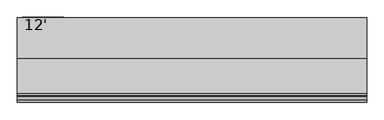
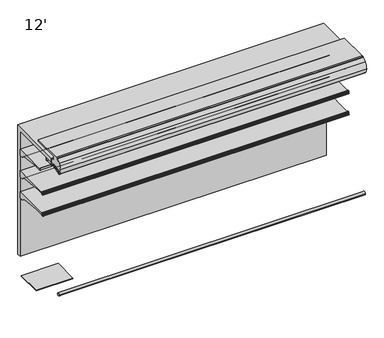
"""IFC4 building model written with IfcOpenShell, lengths in millimetres: proxy geometry, 12'."""

from ifc_helpers import new_model, si_unit, point, frame, frame_2d, origin, place, context, project, spatial, polyline, circle_curve, trimmed, segment, composite_curve, outline, extrude, source, transform, mapped, element, save
from ifc_brep_helpers import plane_surface, cylinder_surface, revolved_surface, advanced_brep


def proxy_12_82e6f706(model_context):
    return source(origin(), model_context, "Body", "SolidModel", [
        advanced_brep(
        [(3657.6, -953.4873974, 1188.3336206), (3657.6, -952.5185778, 1188.7146206), (3657.6, -953.6333414, 1191.5492791), (3657.6, -956.6955302, 1193.6427997), (3657.6, -959.1595285, 1193.6508058), (3657.6, -959.1595285, 1165.1089274), (3657.6, -961.2817196, 1162.6035261), (3657.6, -965.5436404, 1161.8992819), (3657.6, -968.2411887, 1165.5176966), (3657.6, -965.1539285, 1178.0739002), (3657.6, -965.1539285, 1193.6508058), (3657.6, -970.314443, 1193.6508058), (3657.6, -971.339509, 1193.1306533), (3657.6, -972.4224632, 1190.8805751), (3657.6, -971.4385536, 1190.6868672), (3657.6, -970.8449745, 1192.2840367), (3657.6, -969.9972085, 1192.4534439), (3657.6, -967.9567396, 1189.3559236), (3657.6, -967.0677396, 1189.3559236), (3657.6, -967.0677396, 1184.5415513), (3657.6, -966.2810398, 1184.3469249), (3657.6, -967.0803293, 1181.1161148), (3657.6, -967.1337108, 1178.0579707), (3657.6, -967.1768859, 1176.9354655), (3657.6, -967.3201998, 1175.2918474), (3657.6, -967.7783843, 1172.5359697), (3657.6, -968.1746064, 1170.9343994), (3657.6, -971.9864246, 1162.6566769), (3657.6, -972.8889174, 1162.7757838), (3657.6, -973.3695256, 1164.2215289), (3657.6, -974.339124, 1163.9575737), (3657.6, -973.9435731, 1162.8065372), (3657.6, -968.3206176, 1159.0474424), (3657.6, -955.7661201, 1161.1134934), (3657.6, -953.1994616, 1163.2422642), (3657.6, -952.2242271, 1165.9215536), (3657.6, -953.2266912, 1166.2864206), (3657.6, -954.0834067, 1164.4981573), (3657.6, -957.704454, 1165.4078872), (3657.6, -957.8263588, 1189.2180727), (3657.6, -954.1516029, 1190.0217197), (0.0, -953.4873974, 1188.3336206), (0.0, -954.1516029, 1190.0217197), (0.0, -957.8263588, 1189.2180727), (0.0, -957.704454, 1165.4078872), (0.0, -954.0834067, 1164.4981573), (0.0, -953.2266912, 1166.2864206), (0.0, -952.2242271, 1165.9215536), (0.0, -953.1994616, 1163.2422642), (0.0, -955.7661201, 1161.1134934), (0.0, -968.3206176, 1159.0474424), (0.0, -973.943554, 1162.8065458), (0.0, -974.339124, 1163.9575737), (0.0, -973.3695256, 1164.2215289), (0.0, -972.8889174, 1162.7757838), (0.0, -971.9864527, 1162.6566957), (0.0, -968.1746064, 1170.9343994), (0.0, -967.7783843, 1172.5359697), (0.0, -967.3201998, 1175.2918474), (0.0, -967.1768859, 1176.9354655), (0.0, -967.1337108, 1178.0579707), (0.0, -967.0803293, 1181.1161148), (0.0, -966.2810398, 1184.3469249), (0.0, -967.0677396, 1184.5415513), (0.0, -967.0677396, 1189.3559236), (0.0, -967.9567396, 1189.3559236), (0.0, -969.9972022, 1192.4534498), (0.0, -970.8449745, 1192.2840367), (0.0, -971.4385536, 1190.6868672), (0.0, -972.4224582, 1190.8805738), (0.0, -971.3395219, 1193.1306627), (0.0, -970.314443, 1193.6507933), (0.0, -965.1539285, 1193.6508058), (0.0, -965.1539285, 1178.0739002), (0.0, -968.2411887, 1165.5176966), (0.0, -965.5436404, 1161.8992819), (0.0, -961.2817196, 1162.6035261), (0.0, -959.1595285, 1165.1089274), (0.0, -959.1595285, 1193.6508058), (0.0, -956.6955302, 1193.6427997), (0.0, -953.6333414, 1191.5492791), (0.0, -952.5185778, 1188.7146206)],
        [
            (0, 1),
            (1, 2),
            (2, 3, circle_curve(frame((3657.6, -956.7062592, 1190.3408171), z_axis=(1.0, 0.0, 0.0), x_axis=(0.0, 1.0, 0.0)), 3.302)),
            (3, 4),
            (4, 5),
            (5, 6, circle_curve(frame((3657.6, -961.6995285, 1165.1089274), z_axis=(-1.0, 0.0, 0.0), x_axis=(0.0, 1.0, 0.0)), 2.54)),
            (6, 7),
            (7, 8, circle_curve(frame((3657.6, -965.9577369, 1164.4052966), z_axis=(-1.0, 0.0, 0.0), x_axis=(0.0, 1.0, 0.0)), 2.5399972)),
            (8, 9, circle_curve(frame((3657.6, -996.6337496, 1179.1563681), z_axis=(1.0, 0.0, 0.0), x_axis=(0.0, 1.0, 0.0)), 31.4984265)),
            (9, 10),
            (10, 11),
            (11, 12, circle_curve(frame((3657.6, -970.3145227, 1192.3808058), z_axis=(1.0, 0.0, 0.0), x_axis=(0.0, 1.0, 0.0)), 1.2699874)),
            (12, 13, circle_curve(frame((3657.6, -965.8048035, 1189.0812188), z_axis=(1.0, 0.0, 0.0), x_axis=(0.0, 1.0, 0.0)), 6.8579226)),
            (13, 14, circle_curve(frame((3657.6, -971.9374049, 1190.748678), z_axis=(1.0, 0.0, 0.0), x_axis=(0.0, 1.0, 0.0)), 0.5026661)),
            (14, 15),
            (15, 16, circle_curve(frame((3657.6, -970.3688025, 1192.10707), z_axis=(-1.0, 0.0, 0.0), x_axis=(0.0, 1.0, 0.0)), 0.5079931)),
            (16, 17, circle_curve(frame((3657.6, -978.1160311, 1184.8844276), z_axis=(-1.0, 0.0, 0.0), x_axis=(0.0, 1.0, 0.0)), 11.0997964)),
            (17, 18),
            (18, 19),
            (19, 20),
            (20, 21),
            (21, 22),
            (22, 23, circle_curve(frame((3657.6, -995.7036769, 1178.594778), z_axis=(-1.0, 0.0, 0.0), x_axis=(0.0, 1.0, 0.0)), 28.5750087)),
            (23, 24, circle_curve(frame((3657.6, -967.6415419, 1176.1479236), z_axis=(-1.0, 0.0, 0.0), x_axis=(0.0, 1.0, 0.0)), 0.9144)),
            (24, 25, circle_curve(frame((3657.6, -995.7036769, 1178.594778), z_axis=(-1.0, 0.0, 0.0), x_axis=(0.0, 1.0, 0.0)), 28.5750087)),
            (25, 26, circle_curve(frame((3657.6, -968.3594405, 1171.8299236), z_axis=(-1.0, 0.0, 0.0), x_axis=(0.0, 1.0, 0.0)), 0.9144)),
            (26, 27, circle_curve(frame((3657.6, -995.7036769, 1178.594778), z_axis=(-1.0, 0.0, 0.0), x_axis=(0.0, 1.0, 0.0)), 28.5750087)),
            (27, 28, circle_curve(frame((3657.6, -972.4081685, 1162.9399198), z_axis=(-1.0, 0.0, 0.0), x_axis=(0.0, 1.0, 0.0)), 0.5079962)),
            (28, 29),
            (29, 30, circle_curve(frame((3657.6, -973.8504313, 1164.075249), z_axis=(1.0, 0.0, 0.0), x_axis=(0.0, 1.0, 0.0)), 0.502661)),
            (30, 31, circle_curve(frame((3657.6, -967.6812793, 1165.602043), z_axis=(1.0, 0.0, 0.0), x_axis=(0.0, 1.0, 0.0)), 6.857928)),
            (31, 32, circle_curve(frame((3657.6, -968.1450833, 1165.3950076), z_axis=(1.0, 0.0, 0.0), x_axis=(0.0, 1.0, 0.0)), 6.3499919)),
            (32, 33),
            (33, 34, circle_curve(frame((3657.6, -956.302307, 1164.3716689), z_axis=(1.0, 0.0, 0.0), x_axis=(0.0, 1.0, 0.0)), 3.302)),
            (34, 35),
            (35, 36),
            (36, 37),
            (37, 38, circle_curve(frame((3657.6, -955.8014264, 1165.3212206), z_axis=(-1.0, 0.0, 0.0), x_axis=(0.0, 1.0, 0.0)), 1.905)),
            (38, 39, circle_curve(frame((3657.6, -1192.7045275, 1176.1101246), z_axis=(1.0, 0.0, 0.0), x_axis=(0.0, 1.0, 0.0)), 235.2436449)),
            (39, 40, circle_curve(frame((3657.6, -955.9243184, 1189.3242206), z_axis=(-1.0, 0.0, 0.0), x_axis=(0.0, 1.0, 0.0)), 1.905)),
            (40, 0),
            (41, 42),
            (42, 43, circle_curve(frame((0.0, -955.9243184, 1189.3242206), z_axis=(1.0, 0.0, 0.0), x_axis=(0.0, 1.0, 0.0)), 1.905)),
            (43, 44, circle_curve(frame((0.0, -1192.7045275, 1176.1101246), z_axis=(-1.0, 0.0, 0.0), x_axis=(0.0, 1.0, 0.0)), 235.2436449)),
            (44, 45, circle_curve(frame((0.0, -955.8014264, 1165.3212206), z_axis=(1.0, 0.0, 0.0), x_axis=(0.0, 1.0, 0.0)), 1.905)),
            (45, 46),
            (46, 47),
            (47, 48),
            (48, 49, circle_curve(frame((0.0, -956.302307, 1164.3716689), z_axis=(-1.0, 0.0, 0.0), x_axis=(0.0, 1.0, 0.0)), 3.302)),
            (49, 50),
            (50, 51, circle_curve(frame((0.0, -968.1450833, 1165.3950076), z_axis=(-1.0, 0.0, 0.0), x_axis=(0.0, 1.0, 0.0)), 6.3499919)),
            (51, 52, circle_curve(frame((0.0, -967.6812793, 1165.602043), z_axis=(-1.0, 0.0, 0.0), x_axis=(0.0, 1.0, 0.0)), 6.857928)),
            (52, 53, circle_curve(frame((0.0, -973.8504313, 1164.075249), z_axis=(-1.0, 0.0, 0.0), x_axis=(0.0, 1.0, 0.0)), 0.502661)),
            (53, 54),
            (54, 55, circle_curve(frame((0.0, -972.4081685, 1162.9399198), z_axis=(1.0, 0.0, 0.0), x_axis=(0.0, 1.0, 0.0)), 0.5079962)),
            (55, 56, circle_curve(frame((0.0, -995.7036769, 1178.594778), z_axis=(1.0, 0.0, 0.0), x_axis=(0.0, 1.0, 0.0)), 28.5750087)),
            (56, 57, circle_curve(frame((0.0, -968.3594405, 1171.8299236), z_axis=(1.0, 0.0, 0.0), x_axis=(0.0, 1.0, 0.0)), 0.9144)),
            (57, 58, circle_curve(frame((0.0, -995.7036769, 1178.594778), z_axis=(1.0, 0.0, 0.0), x_axis=(0.0, 1.0, 0.0)), 28.5750087)),
            (58, 59, circle_curve(frame((0.0, -967.6415419, 1176.1479236), z_axis=(1.0, 0.0, 0.0), x_axis=(0.0, 1.0, 0.0)), 0.9144)),
            (59, 60, circle_curve(frame((0.0, -995.7036769, 1178.594778), z_axis=(1.0, 0.0, 0.0), x_axis=(0.0, 1.0, 0.0)), 28.5750087)),
            (60, 61),
            (61, 62),
            (62, 63),
            (63, 64),
            (64, 65),
            (65, 66, circle_curve(frame((0.0, -978.1160311, 1184.8844276), z_axis=(1.0, 0.0, 0.0), x_axis=(0.0, 1.0, 0.0)), 11.0997964)),
            (66, 67, circle_curve(frame((0.0, -970.3688025, 1192.10707), z_axis=(1.0, 0.0, 0.0), x_axis=(0.0, 1.0, 0.0)), 0.5079931)),
            (67, 68),
            (68, 69, circle_curve(frame((0.0, -971.9374049, 1190.748678), z_axis=(-1.0, 0.0, 0.0), x_axis=(0.0, 1.0, 0.0)), 0.5026661)),
            (69, 70, circle_curve(frame((0.0, -965.8048035, 1189.0812188), z_axis=(-1.0, 0.0, 0.0), x_axis=(0.0, 1.0, 0.0)), 6.8579226)),
            (70, 71, circle_curve(frame((0.0, -970.3145227, 1192.3808058), z_axis=(-1.0, 0.0, 0.0), x_axis=(0.0, 1.0, 0.0)), 1.2699874)),
            (71, 72),
            (72, 73),
            (73, 74, circle_curve(frame((0.0, -996.6337496, 1179.1563681), z_axis=(-1.0, 0.0, 0.0), x_axis=(0.0, 1.0, 0.0)), 31.4984265)),
            (74, 75, circle_curve(frame((0.0, -965.9577369, 1164.4052966), z_axis=(1.0, 0.0, 0.0), x_axis=(0.0, 1.0, 0.0)), 2.5399972)),
            (75, 76),
            (76, 77, circle_curve(frame((0.0, -961.6995285, 1165.1089274), z_axis=(1.0, 0.0, 0.0), x_axis=(0.0, 1.0, 0.0)), 2.54)),
            (77, 78),
            (78, 79),
            (79, 80, circle_curve(frame((0.0, -956.7062592, 1190.3408171), z_axis=(-1.0, 0.0, 0.0), x_axis=(0.0, 1.0, 0.0)), 3.302)),
            (80, 81),
            (81, 41),
            (0, 41),
            (81, 1),
            (80, 2),
            (79, 3),
            (78, 4),
            (77, 5),
            (76, 6),
            (75, 7),
            (74, 8),
            (73, 9),
            (72, 10),
            (71, 11),
            (70, 12),
            (69, 13),
            (68, 14),
            (67, 15),
            (66, 16),
            (65, 17),
            (64, 18),
            (63, 19),
            (62, 20),
            (61, 21),
            (60, 22),
            (59, 23),
            (58, 24),
            (57, 25),
            (56, 26),
            (55, 27),
            (54, 28),
            (53, 29),
            (52, 30),
            (51, 31),
            (50, 32),
            (49, 33),
            (48, 34),
            (47, 35),
            (46, 36),
            (45, 37),
            (44, 38),
            (43, 39),
            (42, 40),
        ],
        [
            plane_surface(frame((3657.6, -952.5185778, 1188.7146206), z_axis=(1.0, 0.0, 0.0), x_axis=(0.0, 0.9306231900674232, 0.3659787946162082))),
            plane_surface(frame((0.0, -952.5185778, 1188.7146206), z_axis=(-1.0, 0.0, 0.0), x_axis=(0.0, -0.9306231900674232, -0.3659787946162082))),
            plane_surface(frame((3657.6, -953.4873974, 1188.3336206), z_axis=(0.0, 0.3659787946162082, -0.9306231900674232), x_axis=(-1.0, 0.0, 0.0))),
            plane_surface(frame((3657.6, -952.5185778, 1188.7146206), z_axis=(0.0, 0.9306231900759704, 0.3659787945944743), x_axis=(-1.0, 0.0, 0.0))),
            cylinder_surface(frame((0.0, -956.7062592, 1190.3408171), z_axis=(1.0, 0.0, 0.0), x_axis=(0.0, 1.0, 0.0)), 3.302),
            plane_surface(frame((3657.6, -956.6955302, 1193.6427997), z_axis=(0.0, 0.0032492421037266625, 0.9999947211989428), x_axis=(-1.0, 0.0, 0.0))),
            plane_surface(frame((3657.6, -959.1595285, 1193.6508058), z_axis=(0.0, -1.0, 0.0), x_axis=(-1.0, 0.0, 0.0))),
            revolved_surface(polyline([(0.0, -959.1595285000001, 1165.1089274), (3657.6, -959.1595285000001, 1165.1089274)]), (0.0, -961.6995285, 1165.1089274), (-1.0, 0.0, 0.0)),
            plane_surface(frame((3657.6, -961.2817196, 1162.6035261), z_axis=(0.0, -0.16303029417408857, 0.9866210636214444), x_axis=(-1.0, 0.0, 0.0))),
            revolved_surface(polyline([(0.0, -963.4177397, 1164.4052966), (3657.6, -963.4177397, 1164.4052966)]), (0.0, -965.9577369, 1164.4052966), (-1.0, 0.0, 0.0)),
            cylinder_surface(frame((0.0, -996.6337496, 1179.1563681), z_axis=(1.0, 0.0, 0.0), x_axis=(0.0, 1.0, 0.0)), 31.4984265),
            plane_surface(frame((3657.6, -965.1539285, 1178.0739002), z_axis=(0.0, 1.0, 0.0), x_axis=(-1.0, 0.0, 0.0))),
            plane_surface(frame((3657.6, -965.1539285, 1193.6508058), z_axis=(0.0, -1.119160319973389e-12, 1.0), x_axis=(-1.0, 0.0, 0.0))),
            cylinder_surface(frame((0.0, -970.3145227, 1192.3808058), z_axis=(1.0, 0.0, 0.0), x_axis=(0.0, 1.0, 0.0)), 1.2699874),
            cylinder_surface(frame((0.0, -965.8048035, 1189.0812188), z_axis=(1.0, 0.0, 0.0), x_axis=(0.0, 1.0, 0.0)), 6.8579226),
            cylinder_surface(frame((0.0, -971.9374049, 1190.748678), z_axis=(1.0, 0.0, 0.0), x_axis=(0.0, 1.0, 0.0)), 0.5026661),
            plane_surface(frame((3657.6, -971.4385536, 1190.6868672), z_axis=(0.0, 0.9373592211117492, -0.34836430729449747), x_axis=(-1.0, 0.0, 0.0))),
            revolved_surface(polyline([(0.0, -969.8608094, 1192.10707), (3657.6, -969.8608094, 1192.10707)]), (0.0, -970.3688025, 1192.10707), (-1.0, 0.0, 0.0)),
            revolved_surface(polyline([(0.0, -967.0162347, 1184.8844276), (3657.6, -967.0162347, 1184.8844276)]), (0.0, -978.1160311, 1184.8844276), (-1.0, 0.0, 0.0)),
            plane_surface(frame((3657.6, -967.9567396, 1189.3559236), z_axis=(0.0, 3.0451831539108525e-12, -1.0), x_axis=(-1.0, 0.0, 0.0))),
            plane_surface(frame((3657.6, -967.0677396, 1189.3559236), z_axis=(0.0, -1.0, 0.0), x_axis=(-1.0, 0.0, 0.0))),
            plane_surface(frame((3657.6, -967.0677396, 1184.5415513), z_axis=(0.0, -0.24015578728041675, -0.9707343600778348), x_axis=(-1.0, 0.0, 0.0))),
            plane_surface(frame((3657.6, -966.2810398, 1184.3469249), z_axis=(0.0, -0.9707343600778283, 0.2401557872804431), x_axis=(-1.0, 0.0, 0.0))),
            plane_surface(frame((3657.6, -967.0803293, 1181.1161148), z_axis=(0.0, -0.999847686821456, 0.017452883938876028), x_axis=(-1.0, 0.0, 0.0))),
            revolved_surface(polyline([(0.0, -967.1286682, 1178.594778), (3657.6, -967.1286682, 1178.594778)]), (0.0, -995.7036769, 1178.594778), (-1.0, 0.0, 0.0)),
            revolved_surface(polyline([(0.0, -966.7271419, 1176.1479236), (3657.6, -966.7271419, 1176.1479236)]), (0.0, -967.6415419, 1176.1479236), (-1.0, 0.0, 0.0)),
            revolved_surface(polyline([(0.0, -967.4450405, 1171.8299236), (3657.6, -967.4450405, 1171.8299236)]), (0.0, -968.3594405, 1171.8299236), (-1.0, 0.0, 0.0)),
            revolved_surface(polyline([(0.0, -971.9001723, 1162.9399198), (3657.6, -971.9001723, 1162.9399198)]), (0.0, -972.4081685, 1162.9399198), (-1.0, 0.0, 0.0)),
            plane_surface(frame((3657.6, -972.8889174, 1162.7757838), z_axis=(0.0, 0.9489403078347877, 0.31545568970367077), x_axis=(-1.0, 0.0, 0.0))),
            cylinder_surface(frame((0.0, -973.8504313, 1164.075249), z_axis=(1.0, 0.0, 0.0), x_axis=(0.0, 1.0, 0.0)), 0.502661),
            cylinder_surface(frame((0.0, -967.6812793, 1165.602043), z_axis=(1.0, 0.0, 0.0), x_axis=(0.0, 1.0, 0.0)), 6.857928),
            cylinder_surface(frame((0.0, -968.1450833, 1165.3950076), z_axis=(1.0, 0.0, 0.0), x_axis=(0.0, 1.0, 0.0)), 6.3499919),
            plane_surface(frame((3657.6, -968.3206176, 1159.0474424), z_axis=(0.0, 0.16238245504538304, -0.986727894757939), x_axis=(-1.0, 0.0, 0.0))),
            cylinder_surface(frame((0.0, -956.302307, 1164.3716689), z_axis=(1.0, 0.0, 0.0), x_axis=(0.0, 1.0, 0.0)), 3.302),
            plane_surface(frame((3657.6, -953.1994616, 1163.2422642), z_axis=(0.0, 0.9396866512804775, -0.3420365439617273), x_axis=(-1.0, 0.0, 0.0))),
            plane_surface(frame((3657.6, -952.2242271, 1165.9215536), z_axis=(0.0, 0.342020143308865, 0.9396926207920244), x_axis=(-1.0, 0.0, 0.0))),
            plane_surface(frame((3657.6, -953.2266912, 1166.2864206), z_axis=(0.0, -0.901847608486837, 0.43205426865912666), x_axis=(-1.0, 0.0, 0.0))),
            revolved_surface(polyline([(0.0, -953.8964264, 1165.3212206), (3657.6, -953.8964264, 1165.3212206)]), (0.0, -955.8014264, 1165.3212206), (-1.0, 0.0, 0.0)),
            cylinder_surface(frame((0.0, -1192.7045275, 1176.1101246), z_axis=(1.0, 0.0, 0.0), x_axis=(0.0, 1.0, 0.0)), 235.2436449),
            revolved_surface(polyline([(0.0, -954.0193184, 1189.3242206), (3657.6, -954.0193184, 1189.3242206)]), (0.0, -955.9243184, 1189.3242206), (-1.0, 0.0, 0.0)),
            plane_surface(frame((3657.6, -954.1516029, 1190.0217197), z_axis=(0.0, -0.9305593005414599, -0.3661412134351841), x_axis=(-1.0, 0.0, 0.0))),
        ],
        [
            (0, [[1, 2, 3, 4, 5, 6, 7, 8, 9, 10, 11, 12, 13, 14, 15, 16, 17, 18, 19, 20, 21, 22, 23, 24, 25, 26, 27, 28, 29, 30, 31, 32, 33, 34, 35, 36, 37, 38, 39, 40, 41]]),
            (1, [[42, 43, 44, 45, 46, 47, 48, 49, 50, 51, 52, 53, 54, 55, 56, 57, 58, 59, 60, 61, 62, 63, 64, 65, 66, 67, 68, 69, 70, 71, 72, 73, 74, 75, 76, 77, 78, 79, 80, 81, 82]]),
            (2, [[-1, 83, -82, 84]]),
            (3, [[-2, -84, -81, 85]]),
            (4, [[-3, -85, -80, 86]]),
            (5, [[-4, -86, -79, 87]]),
            (6, [[-5, -87, -78, 88]]),
            (7, [[-6, -88, -77, 89]]),
            (8, [[-7, -89, -76, 90]]),
            (9, [[-8, -90, -75, 91]]),
            (10, [[-9, -91, -74, 92]]),
            (11, [[-10, -92, -73, 93]]),
            (12, [[-11, -93, -72, 94]]),
            (13, [[-12, -94, -71, 95]]),
            (14, [[-13, -95, -70, 96]]),
            (15, [[-14, -96, -69, 97]]),
            (16, [[-15, -97, -68, 98]]),
            (17, [[-16, -98, -67, 99]]),
            (18, [[-17, -99, -66, 100]]),
            (19, [[-18, -100, -65, 101]]),
            (20, [[-19, -101, -64, 102]]),
            (21, [[-20, -102, -63, 103]]),
            (22, [[-21, -103, -62, 104]]),
            (23, [[-22, -104, -61, 105]]),
            (24, [[-23, -105, -60, 106]]),
            (25, [[-24, -106, -59, 107]]),
            (24, [[-25, -107, -58, 108]]),
            (26, [[-26, -108, -57, 109]]),
            (24, [[-27, -109, -56, 110]]),
            (27, [[-28, -110, -55, 111]]),
            (28, [[-29, -111, -54, 112]]),
            (29, [[-30, -112, -53, 113]]),
            (30, [[-31, -113, -52, 114]]),
            (31, [[-32, -114, -51, 115]]),
            (32, [[-33, -115, -50, 116]]),
            (33, [[-34, -116, -49, 117]]),
            (34, [[-35, -117, -48, 118]]),
            (35, [[-36, -118, -47, 119]]),
            (36, [[-37, -119, -46, 120]]),
            (37, [[-38, -120, -45, 121]]),
            (38, [[-39, -121, -44, 122]]),
            (39, [[-40, -122, -43, 123]]),
            (40, [[-41, -123, -42, -83]]),
        ],
    ),
        advanced_brep(
        [(3657.6, -953.4873974, 1456.3997549), (3657.6, -952.5185778, 1456.7807549), (3657.6, -953.6333414, 1459.6154133), (3657.6, -956.6955302, 1461.7089339), (3657.6, -959.1595285, 1461.7169401), (3657.6, -959.1595285, 1433.1750617), (3657.6, -961.2817196, 1430.6696604), (3657.6, -965.5436404, 1429.9654161), (3657.6, -968.2411887, 1433.5838309), (3657.6, -965.1539285, 1446.1400345), (3657.6, -965.1539285, 1461.7169401), (3657.6, -970.314443, 1461.7169401), (3657.6, -971.339509, 1461.1967875), (3657.6, -972.4224632, 1458.9467094), (3657.6, -971.4385536, 1458.7530014), (3657.6, -970.8449745, 1460.350171), (3657.6, -969.9972085, 1460.5195782), (3657.6, -967.9567396, 1457.4220579), (3657.6, -967.0677396, 1457.4220579), (3657.6, -967.0677396, 1452.6076856), (3657.6, -966.2810398, 1452.4130592), (3657.6, -967.0803293, 1449.1822491), (3657.6, -967.1337108, 1446.124105), (3657.6, -967.1768859, 1445.0015997), (3657.6, -967.3201998, 1443.3579816), (3657.6, -967.7783843, 1440.602104), (3657.6, -968.1746064, 1439.0005336), (3657.6, -971.9864246, 1430.7228111), (3657.6, -972.8889174, 1430.8419181), (3657.6, -973.3695256, 1432.2876631), (3657.6, -974.339124, 1432.0237079), (3657.6, -973.9435731, 1430.8726715), (3657.6, -968.3206176, 1427.1135766), (3657.6, -955.7661201, 1429.1796276), (3657.6, -953.1994616, 1431.3083984), (3657.6, -952.2242271, 1433.9876878), (3657.6, -953.2266912, 1434.3525549), (3657.6, -954.0834067, 1432.5642915), (3657.6, -957.704454, 1433.4740215), (3657.6, -957.8263588, 1457.2842069), (3657.6, -954.1516029, 1458.0878539), (0.0, -953.4873974, 1456.3997549), (0.0, -954.1516029, 1458.0878539), (0.0, -957.8263588, 1457.2842069), (0.0, -957.704454, 1433.4740215), (0.0, -954.0834067, 1432.5642915), (0.0, -953.2266912, 1434.3525549), (0.0, -952.2242271, 1433.9876878), (0.0, -953.1994616, 1431.3083984), (0.0, -955.7661201, 1429.1796276), (0.0, -968.3206176, 1427.1135766), (0.0, -973.943554, 1430.87268), (0.0, -974.339124, 1432.0237079), (0.0, -973.3695256, 1432.2876631), (0.0, -972.8889174, 1430.8419181), (0.0, -971.9864527, 1430.7228299), (0.0, -968.1746064, 1439.0005336), (0.0, -967.7783843, 1440.602104), (0.0, -967.3201998, 1443.3579816), (0.0, -967.1768859, 1445.0015997), (0.0, -967.1337108, 1446.124105), (0.0, -967.0803293, 1449.1822491), (0.0, -966.2810398, 1452.4130592), (0.0, -967.0677396, 1452.6076856), (0.0, -967.0677396, 1457.4220579), (0.0, -967.9567396, 1457.4220579), (0.0, -969.9972022, 1460.5195841), (0.0, -970.8449745, 1460.350171), (0.0, -971.4385536, 1458.7530014), (0.0, -972.4224582, 1458.946708), (0.0, -971.3395219, 1461.1967969), (0.0, -970.314443, 1461.7169275), (0.0, -965.1539285, 1461.7169401), (0.0, -965.1539285, 1446.1400345), (0.0, -968.2411887, 1433.5838309), (0.0, -965.5436404, 1429.9654161), (0.0, -961.2817196, 1430.6696604), (0.0, -959.1595285, 1433.1750617), (0.0, -959.1595285, 1461.7169401), (0.0, -956.6955302, 1461.7089339), (0.0, -953.6333414, 1459.6154133), (0.0, -952.5185778, 1456.7807549)],
        [
            (0, 1),
            (1, 2),
            (2, 3, circle_curve(frame((3657.6, -956.7062592, 1458.4069514), z_axis=(1.0, 0.0, 0.0), x_axis=(0.0, 1.0, 0.0)), 3.302)),
            (3, 4),
            (4, 5),
            (5, 6, circle_curve(frame((3657.6, -961.6995285, 1433.1750617), z_axis=(-1.0, 0.0, 0.0), x_axis=(0.0, 1.0, 0.0)), 2.54)),
            (6, 7),
            (7, 8, circle_curve(frame((3657.6, -965.9577369, 1432.4714309), z_axis=(-1.0, 0.0, 0.0), x_axis=(0.0, 1.0, 0.0)), 2.5399972)),
            (8, 9, circle_curve(frame((3657.6, -996.6337496, 1447.2225023), z_axis=(1.0, 0.0, 0.0), x_axis=(0.0, 1.0, 0.0)), 31.4984265)),
            (9, 10),
            (10, 11),
            (11, 12, circle_curve(frame((3657.6, -970.3145227, 1460.4469401), z_axis=(1.0, 0.0, 0.0), x_axis=(0.0, 1.0, 0.0)), 1.2699874)),
            (12, 13, circle_curve(frame((3657.6, -965.8048035, 1457.1473531), z_axis=(1.0, 0.0, 0.0), x_axis=(0.0, 1.0, 0.0)), 6.8579226)),
            (13, 14, circle_curve(frame((3657.6, -971.9374049, 1458.8148123), z_axis=(1.0, 0.0, 0.0), x_axis=(0.0, 1.0, 0.0)), 0.5026661)),
            (14, 15),
            (15, 16, circle_curve(frame((3657.6, -970.3688025, 1460.1732043), z_axis=(-1.0, 0.0, 0.0), x_axis=(0.0, 1.0, 0.0)), 0.5079931)),
            (16, 17, circle_curve(frame((3657.6, -978.1160311, 1452.9505619), z_axis=(-1.0, 0.0, 0.0), x_axis=(0.0, 1.0, 0.0)), 11.0997964)),
            (17, 18),
            (18, 19),
            (19, 20),
            (20, 21),
            (21, 22),
            (22, 23, circle_curve(frame((3657.6, -995.7036769, 1446.6609123), z_axis=(-1.0, 0.0, 0.0), x_axis=(0.0, 1.0, 0.0)), 28.5750087)),
            (23, 24, circle_curve(frame((3657.6, -967.6415419, 1444.2140579), z_axis=(-1.0, 0.0, 0.0), x_axis=(0.0, 1.0, 0.0)), 0.9144)),
            (24, 25, circle_curve(frame((3657.6, -995.7036769, 1446.6609123), z_axis=(-1.0, 0.0, 0.0), x_axis=(0.0, 1.0, 0.0)), 28.5750087)),
            (25, 26, circle_curve(frame((3657.6, -968.3594405, 1439.8960579), z_axis=(-1.0, 0.0, 0.0), x_axis=(0.0, 1.0, 0.0)), 0.9144)),
            (26, 27, circle_curve(frame((3657.6, -995.7036769, 1446.6609123), z_axis=(-1.0, 0.0, 0.0), x_axis=(0.0, 1.0, 0.0)), 28.5750087)),
            (27, 28, circle_curve(frame((3657.6, -972.4081685, 1431.0060541), z_axis=(-1.0, 0.0, 0.0), x_axis=(0.0, 1.0, 0.0)), 0.5079962)),
            (28, 29),
            (29, 30, circle_curve(frame((3657.6, -973.8504313, 1432.1413833), z_axis=(1.0, 0.0, 0.0), x_axis=(0.0, 1.0, 0.0)), 0.502661)),
            (30, 31, circle_curve(frame((3657.6, -967.6812793, 1433.6681773), z_axis=(1.0, 0.0, 0.0), x_axis=(0.0, 1.0, 0.0)), 6.857928)),
            (31, 32, circle_curve(frame((3657.6, -968.1450833, 1433.4611419), z_axis=(1.0, 0.0, 0.0), x_axis=(0.0, 1.0, 0.0)), 6.3499919)),
            (32, 33),
            (33, 34, circle_curve(frame((3657.6, -956.302307, 1432.4378031), z_axis=(1.0, 0.0, 0.0), x_axis=(0.0, 1.0, 0.0)), 3.302)),
            (34, 35),
            (35, 36),
            (36, 37),
            (37, 38, circle_curve(frame((3657.6, -955.8014264, 1433.3873549), z_axis=(-1.0, 0.0, 0.0), x_axis=(0.0, 1.0, 0.0)), 1.905)),
            (38, 39, circle_curve(frame((3657.6, -1192.7045275, 1444.1762589), z_axis=(1.0, 0.0, 0.0), x_axis=(0.0, 1.0, 0.0)), 235.2436449)),
            (39, 40, circle_curve(frame((3657.6, -955.9243184, 1457.3903549), z_axis=(-1.0, 0.0, 0.0), x_axis=(0.0, 1.0, 0.0)), 1.905)),
            (40, 0),
            (41, 42),
            (42, 43, circle_curve(frame((0.0, -955.9243184, 1457.3903549), z_axis=(1.0, 0.0, 0.0), x_axis=(0.0, 1.0, 0.0)), 1.905)),
            (43, 44, circle_curve(frame((0.0, -1192.7045275, 1444.1762589), z_axis=(-1.0, 0.0, 0.0), x_axis=(0.0, 1.0, 0.0)), 235.2436449)),
            (44, 45, circle_curve(frame((0.0, -955.8014264, 1433.3873549), z_axis=(1.0, 0.0, 0.0), x_axis=(0.0, 1.0, 0.0)), 1.905)),
            (45, 46),
            (46, 47),
            (47, 48),
            (48, 49, circle_curve(frame((0.0, -956.302307, 1432.4378031), z_axis=(-1.0, 0.0, 0.0), x_axis=(0.0, 1.0, 0.0)), 3.302)),
            (49, 50),
            (50, 51, circle_curve(frame((0.0, -968.1450833, 1433.4611419), z_axis=(-1.0, 0.0, 0.0), x_axis=(0.0, 1.0, 0.0)), 6.3499919)),
            (51, 52, circle_curve(frame((0.0, -967.6812793, 1433.6681773), z_axis=(-1.0, 0.0, 0.0), x_axis=(0.0, 1.0, 0.0)), 6.857928)),
            (52, 53, circle_curve(frame((0.0, -973.8504313, 1432.1413833), z_axis=(-1.0, 0.0, 0.0), x_axis=(0.0, 1.0, 0.0)), 0.502661)),
            (53, 54),
            (54, 55, circle_curve(frame((0.0, -972.4081685, 1431.0060541), z_axis=(1.0, 0.0, 0.0), x_axis=(0.0, 1.0, 0.0)), 0.5079962)),
            (55, 56, circle_curve(frame((0.0, -995.7036769, 1446.6609123), z_axis=(1.0, 0.0, 0.0), x_axis=(0.0, 1.0, 0.0)), 28.5750087)),
            (56, 57, circle_curve(frame((0.0, -968.3594405, 1439.8960579), z_axis=(1.0, 0.0, 0.0), x_axis=(0.0, 1.0, 0.0)), 0.9144)),
            (57, 58, circle_curve(frame((0.0, -995.7036769, 1446.6609123), z_axis=(1.0, 0.0, 0.0), x_axis=(0.0, 1.0, 0.0)), 28.5750087)),
            (58, 59, circle_curve(frame((0.0, -967.6415419, 1444.2140579), z_axis=(1.0, 0.0, 0.0), x_axis=(0.0, 1.0, 0.0)), 0.9144)),
            (59, 60, circle_curve(frame((0.0, -995.7036769, 1446.6609123), z_axis=(1.0, 0.0, 0.0), x_axis=(0.0, 1.0, 0.0)), 28.5750087)),
            (60, 61),
            (61, 62),
            (62, 63),
            (63, 64),
            (64, 65),
            (65, 66, circle_curve(frame((0.0, -978.1160311, 1452.9505619), z_axis=(1.0, 0.0, 0.0), x_axis=(0.0, 1.0, 0.0)), 11.0997964)),
            (66, 67, circle_curve(frame((0.0, -970.3688025, 1460.1732043), z_axis=(1.0, 0.0, 0.0), x_axis=(0.0, 1.0, 0.0)), 0.5079931)),
            (67, 68),
            (68, 69, circle_curve(frame((0.0, -971.9374049, 1458.8148123), z_axis=(-1.0, 0.0, 0.0), x_axis=(0.0, 1.0, 0.0)), 0.5026661)),
            (69, 70, circle_curve(frame((0.0, -965.8048035, 1457.1473531), z_axis=(-1.0, 0.0, 0.0), x_axis=(0.0, 1.0, 0.0)), 6.8579226)),
            (70, 71, circle_curve(frame((0.0, -970.3145227, 1460.4469401), z_axis=(-1.0, 0.0, 0.0), x_axis=(0.0, 1.0, 0.0)), 1.2699874)),
            (71, 72),
            (72, 73),
            (73, 74, circle_curve(frame((0.0, -996.6337496, 1447.2225023), z_axis=(-1.0, 0.0, 0.0), x_axis=(0.0, 1.0, 0.0)), 31.4984265)),
            (74, 75, circle_curve(frame((0.0, -965.9577369, 1432.4714309), z_axis=(1.0, 0.0, 0.0), x_axis=(0.0, 1.0, 0.0)), 2.5399972)),
            (75, 76),
            (76, 77, circle_curve(frame((0.0, -961.6995285, 1433.1750617), z_axis=(1.0, 0.0, 0.0), x_axis=(0.0, 1.0, 0.0)), 2.54)),
            (77, 78),
            (78, 79),
            (79, 80, circle_curve(frame((0.0, -956.7062592, 1458.4069514), z_axis=(-1.0, 0.0, 0.0), x_axis=(0.0, 1.0, 0.0)), 3.302)),
            (80, 81),
            (81, 41),
            (0, 41),
            (81, 1),
            (80, 2),
            (79, 3),
            (78, 4),
            (77, 5),
            (76, 6),
            (75, 7),
            (74, 8),
            (73, 9),
            (72, 10),
            (71, 11),
            (70, 12),
            (69, 13),
            (68, 14),
            (67, 15),
            (66, 16),
            (65, 17),
            (64, 18),
            (63, 19),
            (62, 20),
            (61, 21),
            (60, 22),
            (59, 23),
            (58, 24),
            (57, 25),
            (56, 26),
            (55, 27),
            (54, 28),
            (53, 29),
            (52, 30),
            (51, 31),
            (50, 32),
            (49, 33),
            (48, 34),
            (47, 35),
            (46, 36),
            (45, 37),
            (44, 38),
            (43, 39),
            (42, 40),
        ],
        [
            plane_surface(frame((3657.6, -952.5185778, 1456.7807549), z_axis=(1.0, 0.0, 0.0), x_axis=(0.0, 0.9306231900674675, 0.36597879461609556))),
            plane_surface(frame((0.0, -952.5185778, 1456.7807549), z_axis=(-1.0, 0.0, 0.0), x_axis=(0.0, -0.9306231900674675, -0.36597879461609556))),
            plane_surface(frame((3657.6, -953.4873974, 1456.3997549), z_axis=(0.0, 0.36597879461609556, -0.9306231900674675), x_axis=(-1.0, 0.0, 0.0))),
            plane_surface(frame((3657.6, -952.5185778, 1456.7807549), z_axis=(0.0, 0.9306231900759823, 0.365978794594444), x_axis=(-1.0, 0.0, 0.0))),
            cylinder_surface(frame((0.0, -956.7062592, 1458.4069514), z_axis=(1.0, 0.0, 0.0), x_axis=(0.0, 1.0, 0.0)), 3.302),
            plane_surface(frame((3657.6, -956.6955302, 1461.7089339), z_axis=(0.0, 0.0032492421037266625, 0.9999947211989428), x_axis=(-1.0, 0.0, 0.0))),
            plane_surface(frame((3657.6, -959.1595285, 1461.7169401), z_axis=(0.0, -1.0, 0.0), x_axis=(-1.0, 0.0, 0.0))),
            revolved_surface(polyline([(0.0, -959.1595285000001, 1433.1750617), (3657.6, -959.1595285000001, 1433.1750617)]), (0.0, -961.6995285, 1433.1750617), (-1.0, 0.0, 0.0)),
            plane_surface(frame((3657.6, -961.2817196, 1430.6696604), z_axis=(0.0, -0.16303029417402248, 0.9866210636214553), x_axis=(-1.0, 0.0, 0.0))),
            revolved_surface(polyline([(0.0, -963.4177397, 1432.4714309), (3657.6, -963.4177397, 1432.4714309)]), (0.0, -965.9577369, 1432.4714309), (-1.0, 0.0, 0.0)),
            cylinder_surface(frame((0.0, -996.6337496, 1447.2225023), z_axis=(1.0, 0.0, 0.0), x_axis=(0.0, 1.0, 0.0)), 31.4984265),
            plane_surface(frame((3657.6, -965.1539285, 1446.1400345), z_axis=(0.0, 1.0, 0.0), x_axis=(-1.0, 0.0, 0.0))),
            plane_surface(frame((3657.6, -965.1539285, 1461.7169401), z_axis=(0.0, -1.119160319973389e-12, 1.0), x_axis=(-1.0, 0.0, 0.0))),
            cylinder_surface(frame((0.0, -970.3145227, 1460.4469401), z_axis=(1.0, 0.0, 0.0), x_axis=(0.0, 1.0, 0.0)), 1.2699874),
            cylinder_surface(frame((0.0, -965.8048035, 1457.1473531), z_axis=(1.0, 0.0, 0.0), x_axis=(0.0, 1.0, 0.0)), 6.8579226),
            cylinder_surface(frame((0.0, -971.9374049, 1458.8148123), z_axis=(1.0, 0.0, 0.0), x_axis=(0.0, 1.0, 0.0)), 0.5026661),
            plane_surface(frame((3657.6, -971.4385536, 1458.7530014), z_axis=(0.0, 0.9373592211117492, -0.34836430729449747), x_axis=(-1.0, 0.0, 0.0))),
            revolved_surface(polyline([(0.0, -969.8608094, 1460.1732043), (3657.6, -969.8608094, 1460.1732043)]), (0.0, -970.3688025, 1460.1732043), (-1.0, 0.0, 0.0)),
            revolved_surface(polyline([(0.0, -967.0162347, 1452.9505619), (3657.6, -967.0162347, 1452.9505619)]), (0.0, -978.1160311, 1452.9505619), (-1.0, 0.0, 0.0)),
            plane_surface(frame((3657.6, -967.9567396, 1457.4220579), z_axis=(0.0, 3.0451831539108525e-12, -1.0), x_axis=(-1.0, 0.0, 0.0))),
            plane_surface(frame((3657.6, -967.0677396, 1457.4220579), z_axis=(0.0, -1.0, 0.0), x_axis=(-1.0, 0.0, 0.0))),
            plane_surface(frame((3657.6, -967.0677396, 1452.6076856), z_axis=(0.0, -0.24015578728025933, -0.9707343600778736), x_axis=(-1.0, 0.0, 0.0))),
            plane_surface(frame((3657.6, -966.2810398, 1452.4130592), z_axis=(0.0, -0.9707343600778305, 0.2401557872804336), x_axis=(-1.0, 0.0, 0.0))),
            plane_surface(frame((3657.6, -967.0803293, 1449.1822491), z_axis=(0.0, -0.9998476868214559, 0.017452883938876798), x_axis=(-1.0, 0.0, 0.0))),
            revolved_surface(polyline([(0.0, -967.1286682, 1446.6609123), (3657.6, -967.1286682, 1446.6609123)]), (0.0, -995.7036769, 1446.6609123), (-1.0, 0.0, 0.0)),
            revolved_surface(polyline([(0.0, -966.7271419, 1444.2140579), (3657.6, -966.7271419, 1444.2140579)]), (0.0, -967.6415419, 1444.2140579), (-1.0, 0.0, 0.0)),
            revolved_surface(polyline([(0.0, -967.4450405, 1439.8960579), (3657.6, -967.4450405, 1439.8960579)]), (0.0, -968.3594405, 1439.8960579), (-1.0, 0.0, 0.0)),
            revolved_surface(polyline([(0.0, -971.9001723, 1431.0060541), (3657.6, -971.9001723, 1431.0060541)]), (0.0, -972.4081685, 1431.0060541), (-1.0, 0.0, 0.0)),
            plane_surface(frame((3657.6, -972.8889174, 1430.8419181), z_axis=(0.0, 0.9489403078347877, 0.31545568970367077), x_axis=(-1.0, 0.0, 0.0))),
            cylinder_surface(frame((0.0, -973.8504313, 1432.1413833), z_axis=(1.0, 0.0, 0.0), x_axis=(0.0, 1.0, 0.0)), 0.502661),
            cylinder_surface(frame((0.0, -967.6812793, 1433.6681773), z_axis=(1.0, 0.0, 0.0), x_axis=(0.0, 1.0, 0.0)), 6.857928),
            cylinder_surface(frame((0.0, -968.1450833, 1433.4611419), z_axis=(1.0, 0.0, 0.0), x_axis=(0.0, 1.0, 0.0)), 6.3499919),
            plane_surface(frame((3657.6, -968.3206176, 1427.1135766), z_axis=(0.0, 0.1623824550453934, -0.9867278947579372), x_axis=(-1.0, 0.0, 0.0))),
            cylinder_surface(frame((0.0, -956.302307, 1432.4378031), z_axis=(1.0, 0.0, 0.0), x_axis=(0.0, 1.0, 0.0)), 3.302),
            plane_surface(frame((3657.6, -953.1994616, 1431.3083984), z_axis=(0.0, 0.9396866512804775, -0.3420365439617273), x_axis=(-1.0, 0.0, 0.0))),
            plane_surface(frame((3657.6, -952.2242271, 1433.9876878), z_axis=(0.0, 0.342020143308865, 0.9396926207920244), x_axis=(-1.0, 0.0, 0.0))),
            plane_surface(frame((3657.6, -953.2266912, 1434.3525549), z_axis=(0.0, -0.9018476084868497, 0.4320542686591001), x_axis=(-1.0, 0.0, 0.0))),
            revolved_surface(polyline([(0.0, -953.8964264, 1433.3873549), (3657.6, -953.8964264, 1433.3873549)]), (0.0, -955.8014264, 1433.3873549), (-1.0, 0.0, 0.0)),
            cylinder_surface(frame((0.0, -1192.7045275, 1444.1762589), z_axis=(1.0, 0.0, 0.0), x_axis=(0.0, 1.0, 0.0)), 235.2436449),
            revolved_surface(polyline([(0.0, -954.0193184, 1457.3903549), (3657.6, -954.0193184, 1457.3903549)]), (0.0, -955.9243184, 1457.3903549), (-1.0, 0.0, 0.0)),
            plane_surface(frame((3657.6, -954.1516029, 1458.0878539), z_axis=(0.0, -0.93055930054145, -0.36614121343520956), x_axis=(-1.0, 0.0, 0.0))),
        ],
        [
            (0, [[1, 2, 3, 4, 5, 6, 7, 8, 9, 10, 11, 12, 13, 14, 15, 16, 17, 18, 19, 20, 21, 22, 23, 24, 25, 26, 27, 28, 29, 30, 31, 32, 33, 34, 35, 36, 37, 38, 39, 40, 41]]),
            (1, [[42, 43, 44, 45, 46, 47, 48, 49, 50, 51, 52, 53, 54, 55, 56, 57, 58, 59, 60, 61, 62, 63, 64, 65, 66, 67, 68, 69, 70, 71, 72, 73, 74, 75, 76, 77, 78, 79, 80, 81, 82]]),
            (2, [[-1, 83, -82, 84]]),
            (3, [[-2, -84, -81, 85]]),
            (4, [[-3, -85, -80, 86]]),
            (5, [[-4, -86, -79, 87]]),
            (6, [[-5, -87, -78, 88]]),
            (7, [[-6, -88, -77, 89]]),
            (8, [[-7, -89, -76, 90]]),
            (9, [[-8, -90, -75, 91]]),
            (10, [[-9, -91, -74, 92]]),
            (11, [[-10, -92, -73, 93]]),
            (12, [[-11, -93, -72, 94]]),
            (13, [[-12, -94, -71, 95]]),
            (14, [[-13, -95, -70, 96]]),
            (15, [[-14, -96, -69, 97]]),
            (16, [[-15, -97, -68, 98]]),
            (17, [[-16, -98, -67, 99]]),
            (18, [[-17, -99, -66, 100]]),
            (19, [[-18, -100, -65, 101]]),
            (20, [[-19, -101, -64, 102]]),
            (21, [[-20, -102, -63, 103]]),
            (22, [[-21, -103, -62, 104]]),
            (23, [[-22, -104, -61, 105]]),
            (24, [[-23, -105, -60, 106]]),
            (25, [[-24, -106, -59, 107]]),
            (24, [[-25, -107, -58, 108]]),
            (26, [[-26, -108, -57, 109]]),
            (24, [[-27, -109, -56, 110]]),
            (27, [[-28, -110, -55, 111]]),
            (28, [[-29, -111, -54, 112]]),
            (29, [[-30, -112, -53, 113]]),
            (30, [[-31, -113, -52, 114]]),
            (31, [[-32, -114, -51, 115]]),
            (32, [[-33, -115, -50, 116]]),
            (33, [[-34, -116, -49, 117]]),
            (34, [[-35, -117, -48, 118]]),
            (35, [[-36, -118, -47, 119]]),
            (36, [[-37, -119, -46, 120]]),
            (37, [[-38, -120, -45, 121]]),
            (38, [[-39, -121, -44, 122]]),
            (39, [[-40, -122, -43, 123]]),
            (40, [[-41, -123, -42, -83]]),
        ],
    ),
        extrude(outline(composite_curve([segment(trimmed(circle_curve(frame_2d((-536.2729198, 1133.3037953)), 25.4), [point((-535.8410838, 1107.9074665))], [point((-552.2502761, 1113.5583126))], False, "CARTESIAN"), True, "CONTINUOUS"), segment(polyline([(-552.2502761, 1113.5583126), (-570.1023372, 1128.0035781)]), True, "CONTINUOUS"), segment(trimmed(circle_curve(frame_2d((-610.0457279, 1078.6398714)), 63.5), [point((-570.1023372, 1128.0035781))], [point((-602.1478466, 1141.6468033))], True, "CARTESIAN"), True, "CONTINUOUS"), segment(polyline([(-602.1478466, 1141.6468033), (-835.4355203, 1165.4310619), (-835.4355203, 1168.7844928), (-954.2108051, 1168.7844928), (-954.8655599, 1165.0711937)]), True, "CONTINUOUS"), segment(trimmed(circle_curve(frame_2d((-956.153787, 1165.2983428)), 1.3081), [point((-954.8655599, 1165.0711937))], [point((-957.461887, 1165.2983428))], False, "CARTESIAN"), True, "CONTINUOUS"), segment(polyline([(-957.461887, 1165.2983428), (-957.461887, 1189.4507797)]), True, "CONTINUOUS"), segment(trimmed(circle_curve(frame_2d((-956.6845498, 1189.4507797)), 0.7773372), [point((-957.461887, 1189.4507797))], [point((-955.9072126, 1189.4507797))], False, "CARTESIAN"), True, "CONTINUOUS"), segment(polyline([(-955.9072126, 1189.4507797), (-955.9072126, 1188.6020019)]), True, "CONTINUOUS"), segment(trimmed(circle_curve(frame_2d((-951.0617588, 1188.6020019)), 4.8454538), [point((-955.9072126, 1188.6020019))], [point((-951.0838062, 1183.7565983))], True, "CARTESIAN"), True, "CONTINUOUS"), segment(polyline([(-951.0838062, 1183.7565983), (-500.2639658, 1183.7565983), (-500.2639658, 1107.9074665), (-535.8410838, 1107.9074665)]), True, "CONTINUOUS")], self_intersect=False)), frame((0.0, 0.0, 0.0), z_axis=(1.0, 0.0, 0.0), x_axis=(0.0, 1.0, 0.0)), (0.0, 0.0, 1.0), 3657.6),
        extrude(outline(composite_curve([segment(trimmed(circle_curve(frame_2d((-536.2729198, 1672.2638087)), 25.4), [point((-535.8410838, 1646.8674799))], [point((-552.2502761, 1652.518326))], False, "CARTESIAN"), True, "CONTINUOUS"), segment(polyline([(-552.2502761, 1652.518326), (-570.1023372, 1666.9635916)]), True, "CONTINUOUS"), segment(trimmed(circle_curve(frame_2d((-610.0457279, 1617.5998848)), 63.5), [point((-570.1023372, 1666.9635916))], [point((-600.4933507, 1680.3772859))], True, "CARTESIAN"), True, "CONTINUOUS"), segment(polyline([(-600.4933507, 1680.3772859), (-784.6412524, 1704.3779278), (-784.6412524, 1707.7445062), (-903.4165372, 1707.7445062), (-904.071292, 1704.0312071)]), True, "CONTINUOUS"), segment(trimmed(circle_curve(frame_2d((-905.359519, 1704.2583562)), 1.3081), [point((-904.071292, 1704.0312071))], [point((-906.667619, 1704.2583562))], False, "CARTESIAN"), True, "CONTINUOUS"), segment(polyline([(-906.667619, 1704.2583562), (-906.667619, 1728.4107931)]), True, "CONTINUOUS"), segment(trimmed(circle_curve(frame_2d((-905.8902818, 1728.4107931)), 0.7773372), [point((-906.667619, 1728.4107931))], [point((-905.1129446, 1728.4107931))], False, "CARTESIAN"), True, "CONTINUOUS"), segment(polyline([(-905.1129446, 1728.4107931), (-905.1129446, 1727.5620153)]), True, "CONTINUOUS"), segment(trimmed(circle_curve(frame_2d((-900.2674909, 1727.5620153)), 4.8454538), [point((-905.1129446, 1727.5620153))], [point((-900.2895383, 1722.7166117))], True, "CARTESIAN"), True, "CONTINUOUS"), segment(polyline([(-900.2895383, 1722.7166117), (-500.2639658, 1722.7166117), (-500.2639658, 1646.8674799), (-535.8410838, 1646.8674799)]), True, "CONTINUOUS")], self_intersect=False)), frame((0.0, 0.0, 0.0), z_axis=(1.0, 0.0, 0.0), x_axis=(0.0, 1.0, 0.0)), (0.0, 0.0, 1.0), 3657.6),
        extrude(outline(composite_curve([segment(trimmed(circle_curve(frame_2d((-536.2729198, 1401.356035)), 25.4), [point((-535.8410838, 1375.9597062))], [point((-552.2502761, 1381.6105523))], False, "CARTESIAN"), True, "CONTINUOUS"), segment(polyline([(-552.2502761, 1381.6105523), (-570.1023372, 1396.0558178)]), True, "CONTINUOUS"), segment(trimmed(circle_curve(frame_2d((-610.0457279, 1346.6921111)), 63.5), [point((-570.1023372, 1396.0558178))], [point((-602.1478466, 1409.699043))], True, "CARTESIAN"), True, "CONTINUOUS"), segment(polyline([(-602.1478466, 1409.699043), (-835.4355203, 1433.4833016), (-835.4355203, 1436.8367325), (-954.2108051, 1436.8367325), (-954.8655599, 1433.1234333)]), True, "CONTINUOUS"), segment(trimmed(circle_curve(frame_2d((-956.153787, 1433.3505825)), 1.3081), [point((-954.8655599, 1433.1234333))], [point((-957.461887, 1433.3505825))], False, "CARTESIAN"), True, "CONTINUOUS"), segment(polyline([(-957.461887, 1433.3505825), (-957.461887, 1457.5030194)]), True, "CONTINUOUS"), segment(trimmed(circle_curve(frame_2d((-956.6845498, 1457.5030194)), 0.7773372), [point((-957.461887, 1457.5030194))], [point((-955.9072126, 1457.5030194))], False, "CARTESIAN"), True, "CONTINUOUS"), segment(polyline([(-955.9072126, 1457.5030194), (-955.9072126, 1456.6542416)]), True, "CONTINUOUS"), segment(trimmed(circle_curve(frame_2d((-951.0617588, 1456.6542416)), 4.8454538), [point((-955.9072126, 1456.6542416))], [point((-951.0838062, 1451.808838))], True, "CARTESIAN"), True, "CONTINUOUS"), segment(polyline([(-951.0838062, 1451.808838), (-500.2639658, 1451.808838), (-500.2639658, 1375.9597062), (-535.8410838, 1375.9597062)]), True, "CONTINUOUS")], self_intersect=False)), frame((0.0, 0.0, 0.0), z_axis=(1.0, 0.0, 0.0), x_axis=(0.0, 1.0, 0.0)), (0.0, 0.0, 1.0), 3657.6),
        extrude(outline(polyline([(486.171875, -754.415012), (48.021875, -754.415012), (48.021875, -447.329012), (486.171875, -447.329012), (486.171875, -754.415012)])), frame((0.0, 0.0, 68.5310382), z_axis=(0.0, 0.0, 1.0), x_axis=(1.0, 0.0, 0.0)), (0.0, 0.0, 1.0), 6.35),
        extrude(outline(polyline([(3657.6, -1043.857807), (3657.6, -1145.4578064), (0.0, -1145.4578064), (0.0, -1043.857807), (3657.6, -1043.857807)])), frame((0.0, 0.0, 1914.8664093), z_axis=(0.0, 0.0, 1.0), x_axis=(1.0, 0.0, 0.0)), (0.0, 0.0, 1.0), 25.3999935),
        extrude(outline(composite_curve([segment(polyline([(-451.7851762, 367.1756257), (-500.2639658, 367.1756257), (-500.2639658, 1949.9895757), (-1043.222807, 1949.9895757), (-1043.222807, 1912.6450166)]), True, "CONTINUOUS"), segment(trimmed(circle_curve(frame_2d((-1045.445098, 1912.6450166)), 2.2222909), [point((-1043.222807, 1912.6450166))], [point((-1045.445098, 1910.4227257))], False, "CARTESIAN"), True, "CONTINUOUS"), segment(polyline([(-1045.445098, 1910.4227257), (-1057.882775, 1910.4227257)]), True, "CONTINUOUS"), segment(trimmed(circle_curve(frame_2d((-1057.882775, 1910.7402257)), 0.3175), [point((-1057.882775, 1910.4227257))], [point((-1057.882775, 1911.0577257))], False, "CARTESIAN"), True, "CONTINUOUS"), segment(polyline([(-1057.882775, 1911.0577257), (-1045.445307, 1911.0577257)]), True, "CONTINUOUS"), segment(trimmed(circle_curve(frame_2d((-1045.445307, 1912.6452257)), 1.5875), [point((-1045.445307, 1911.0577257))], [point((-1043.857807, 1912.6452257))], True, "CARTESIAN"), True, "CONTINUOUS"), segment(polyline([(-1043.857807, 1912.6452257), (-1043.857807, 1940.2664016), (-1146.8484725, 1940.2664028), (-1146.8484725, 1912.6452257)]), True, "CONTINUOUS"), segment(trimmed(circle_curve(frame_2d((-1145.2609725, 1912.6452257)), 1.5875), [point((-1146.8484725, 1912.6452257))], [point((-1145.2609725, 1911.0577257))], True, "CARTESIAN"), True, "CONTINUOUS"), segment(polyline([(-1145.2609725, 1911.0577257), (-1136.2482021, 1911.0577257)]), True, "CONTINUOUS"), segment(trimmed(circle_curve(frame_2d((-1136.2482021, 1910.7402257)), 0.3175), [point((-1136.2482021, 1911.0577257))], [point((-1136.2482021, 1910.4227257))], False, "CARTESIAN"), True, "CONTINUOUS"), segment(polyline([(-1136.2482021, 1910.4227257), (-1145.2611816, 1910.4227257)]), True, "CONTINUOUS"), segment(trimmed(circle_curve(frame_2d((-1145.2611816, 1912.6450167)), 2.2222909), [point((-1145.2611816, 1910.4227257))], [point((-1147.4754748, 1912.4566488))], False, "CARTESIAN"), True, "CONTINUOUS"), segment(polyline([(-1147.4754748, 1912.4566488), (-1147.4754748, 2000.9165757), (-451.7851762, 2000.9165757), (-451.7851762, 367.1756257)]), True, "CONTINUOUS")], self_intersect=False)), frame((0.0, 0.0, 0.0), z_axis=(1.0, 0.0, 0.0), x_axis=(0.0, 1.0, 0.0)), (0.0, 0.0, 1.0), 3657.6),
        extrude(outline(composite_curve([segment(polyline([(-1154.5871408, 1916.2331769), (-1154.5871408, 1917.1475769), (-1148.3846084, 1917.1475769)]), True, "CONTINUOUS"), segment(trimmed(circle_curve(frame_2d((-1148.3846084, 1917.6919195)), 0.5443426), [point((-1148.3846084, 1917.1475769))], [point((-1147.8402658, 1917.6919195))], True, "CARTESIAN"), True, "CONTINUOUS"), segment(polyline([(-1147.8402658, 1917.6919195), (-1147.8402658, 1960.5898319)]), True, "CONTINUOUS"), segment(trimmed(circle_curve(frame_2d((-1148.2752408, 1960.5898319)), 0.434975), [point((-1147.8402658, 1960.5898319))], [point((-1148.424011, 1960.9985747))], True, "CARTESIAN"), True, "CONTINUOUS"), segment(polyline([(-1148.424011, 1960.9985747), (-1180.9562719, 1949.1578001)]), True, "CONTINUOUS"), segment(trimmed(circle_curve(frame_2d((-1181.4368745, 1950.478245)), 1.4051881), [point((-1180.9562719, 1949.1578001))], [point((-1182.0307327, 1949.204712))], False, "CARTESIAN"), True, "CONTINUOUS"), segment(polyline([(-1182.0307327, 1949.204712), (-1206.3683838, 1960.5535452), (-1311.1114658, 1932.4877209), (-1311.1114658, 1918.2347529), (-1312.0258658, 1918.2347529), (-1312.0258658, 1902.8669364)]), True, "CONTINUOUS"), segment(trimmed(circle_curve(frame_2d((-1310.4383658, 1902.8669364)), 1.5875), [point((-1312.0258658, 1902.8669364))], [point((-1310.9552052, 1901.3659257))], True, "CARTESIAN"), True, "CONTINUOUS"), segment(polyline([(-1310.9552052, 1901.3659257), (-1300.7637174, 1897.856715)]), True, "CONTINUOUS"), segment(trimmed(circle_curve(frame_2d((-1300.246878, 1899.3577258)), 1.5875), [point((-1300.7637174, 1897.856715))], [point((-1299.124346, 1898.2351937))], True, "CARTESIAN"), True, "CONTINUOUS"), segment(polyline([(-1299.124346, 1898.2351937), (-1295.7298092, 1901.6297305)]), True, "CONTINUOUS"), segment(trimmed(circle_curve(frame_2d((-1295.3232893, 1901.2232106)), 0.574906), [point((-1295.7298092, 1901.6297305))], [point((-1294.8765034, 1901.5850107))], False, "CARTESIAN"), True, "CONTINUOUS"), segment(polyline([(-1294.8765034, 1901.5850107), (-1294.0466363, 1902.4148778), (-1292.6097953, 1900.9780368), (-1299.1833428, 1894.4044894)]), True, "CONTINUOUS"), segment(trimmed(circle_curve(frame_2d((-1304.3200493, 1899.5411959)), 7.2644), [point((-1299.1833428, 1894.4044894))], [point((-1309.6328951, 1894.586887))], False, "CARTESIAN"), True, "CONTINUOUS"), segment(trimmed(circle_curve(frame_2d((-1237.0914169, 1963.5365808)), 100.0815984), [point((-1309.6328951, 1894.586887))], [point((-1337.130482, 1966.4540798))], False, "CARTESIAN"), True, "CONTINUOUS"), segment(trimmed(circle_curve(frame_2d((-1234.6586092, 1963.5015396)), 102.5144), [point((-1337.130482, 1966.4540798))], [point((-1308.4012972, 2034.7140257))], False, "CARTESIAN"), True, "CONTINUOUS"), segment(polyline([(-1308.4012972, 2034.7140257), (-1273.765492, 2070.580452)]), True, "CONTINUOUS"), segment(trimmed(circle_curve(frame_2d((-1268.5399199, 2065.5341757)), 7.2644), [point((-1273.765492, 2070.580452))], [point((-1268.5399199, 2072.7985757))], False, "CARTESIAN"), True, "CONTINUOUS"), segment(polyline([(-1268.5399199, 2072.7985757), (-1246.8367658, 2072.7985757), (-1246.8367658, 2070.7665757), (-877.8001658, 2070.7665757), (-877.8001658, 2053.0), (-1193.4788424, 2053.0), (-1193.4788424, 2000.9165757), (-1147.4754748, 2000.9165757), (-1147.4754748, 1917.2180045)]), True, "CONTINUOUS"), segment(trimmed(circle_curve(frame_2d((-1148.4603024, 1917.2180045)), 0.9848276), [point((-1147.4754748, 1917.2180045))], [point((-1148.4603024, 1916.2331769))], False, "CARTESIAN"), True, "CONTINUOUS"), segment(polyline([(-1148.4603024, 1916.2331769), (-1154.5871408, 1916.2331769)]), True, "CONTINUOUS")], self_intersect=False)), frame((0.0, 0.0, 0.0), z_axis=(1.0, 0.0, 0.0), x_axis=(0.0, 1.0, 0.0)), (0.0, 0.0, 1.0), 3657.6),
        extrude(outline(composite_curve([segment(trimmed(circle_curve(frame_2d((-1223.9123321, 1929.4566846)), 14.2875), [point((-1238.1998321, 1929.4566846))], [point((-1209.6248321, 1929.4566846))], False, "CARTESIAN"), True, "CONTINUOUS"), segment(trimmed(circle_curve(frame_2d((-1223.9123321, 1929.4566846)), 14.2875), [point((-1209.6248321, 1929.4566846))], [point((-1238.1998321, 1929.4566846))], False, "CARTESIAN"), True, "CONTINUOUS")], self_intersect=False)), frame((0.0, 0.0, 0.0), z_axis=(1.0, 0.0, 0.0), x_axis=(0.0, 1.0, 0.0)), (0.0, 0.0, 1.0), 3657.6),
        extrude(outline(composite_curve([segment(trimmed(circle_curve(frame_2d((-1267.5951197, 1917.7519169)), 14.2875), [point((-1281.8826197, 1917.7519169))], [point((-1253.3076197, 1917.7519169))], False, "CARTESIAN"), True, "CONTINUOUS"), segment(trimmed(circle_curve(frame_2d((-1267.5951197, 1917.7519169)), 14.2875), [point((-1253.3076197, 1917.7519169))], [point((-1281.8826197, 1917.7519169))], False, "CARTESIAN"), True, "CONTINUOUS")], self_intersect=False)), frame((0.0, 0.0, 0.0), z_axis=(1.0, 0.0, 0.0), x_axis=(0.0, 1.0, 0.0)), (0.0, 0.0, 1.0), 3657.6),
        extrude(outline(composite_curve([segment(trimmed(circle_curve(frame_2d((-1293.1554914, 368.3)), 17.3534359), [point((-1310.5089273, 368.3))], [point((-1275.8020556, 368.3))], False, "CARTESIAN"), True, "CONTINUOUS"), segment(trimmed(circle_curve(frame_2d((-1293.1554914, 368.3)), 17.3534359), [point((-1275.8020556, 368.3))], [point((-1310.5089273, 368.3))], False, "CARTESIAN"), True, "CONTINUOUS")], self_intersect=False)), frame((0.0, 0.0, 0.0), z_axis=(1.0, 0.0, 0.0), x_axis=(0.0, 1.0, 0.0)), (0.0, 0.0, 1.0), 3657.6),
    ])


if __name__ == "__main__":
    model = new_model("IFC4")
    model_context = context("Model", 3, world=origin())
    ifc_project = project(units=[si_unit("LENGTHUNIT", "METRE", prefix="MILLI")], contexts=[model_context])
    site = spatial("IfcSite", under=ifc_project)
    building = spatial("IfcBuilding", under=site)
    placement = place(None, origin())
    proxy_12_shape = proxy_12_82e6f706(model_context)
    element("IfcBuildingElementProxy", 1, Name="12'", ObjectType="12'", at=placement, inside=building, context=model_context, shape_type="MappedRepresentation", body=[
        mapped(proxy_12_shape, transform((0.0, 0.0, 0.0), x_axis=(1.0, 0.0, 0.0), y_axis=(0.0, 1.0, 0.0), z_axis=(0.0, 0.0, 1.0))),
    ])
    save(model, "model.ifc")
